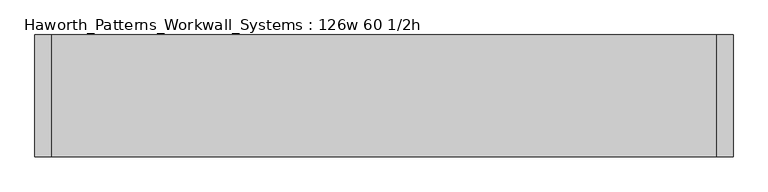
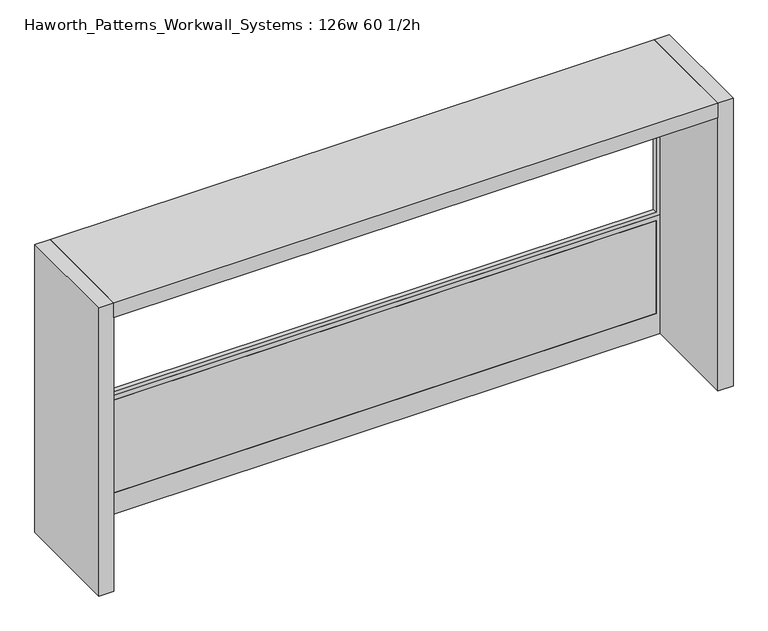
"""IFC4 building model written with IfcOpenShell, lengths in millimetres: furniture geometry, Haworth_Patterns_Workwall_Systems : 126w 60 1/2h."""

from ifc_helpers import new_model, si_unit, frame, origin, origin_with_axes, place, context, project, spatial, polyline, outline, extrude, source, transform, mapped, element, save


def haworth_patterns_workwall_systems_126w_60_1_2h_0ec29452(model_context):
    return source(origin(), model_context, "Body", "SweptSolid", [
        extrude(outline(polyline([(1460.5, 914.4), (1460.5, -2133.6), (635.0, -2133.6), (635.0, 914.4), (1460.5, 914.4)]), holes=[polyline([(1441.45, 895.35), (654.05, 895.35), (654.05, -2114.55), (1441.45, -2114.55), (1441.45, 895.35)])]), frame((0.0, 330.2, 0.0), z_axis=(0.0, 1.0, 0.0), x_axis=(0.0, 0.0, 1.0)), (0.0, 0.0, 1.0), 25.4),
        extrude(outline(polyline([(895.35, 330.2), (-2114.55, 330.2), (-2114.55, 355.6), (895.35, 355.6), (895.35, 330.2)])), frame((0.0, 0.0, 114.3), z_axis=(0.0, 0.0, 1.0), x_axis=(1.0, 0.0, 0.0)), (0.0, 0.0, 1.0), 495.3),
        extrude(outline(polyline([(635.0, 914.4), (635.0, -2133.6), (0.0, -2133.6), (0.0, 914.4), (635.0, 914.4)]), holes=[polyline([(609.6, 895.35), (114.3, 895.35), (114.3, -2114.55), (609.6, -2114.55), (609.6, 895.35)])]), frame((0.0, 330.2, 0.0), z_axis=(0.0, 1.0, 0.0), x_axis=(0.0, 0.0, 1.0)), (0.0, 0.0, 1.0), 25.4),
        extrude(outline(polyline([(914.4, -177.8), (-2133.6, -177.8), (-2133.6, 381.0), (914.4, 381.0), (914.4, -177.8)])), frame((0.0, 0.0, 1460.5), z_axis=(0.0, 0.0, 1.0), x_axis=(1.0, 0.0, 0.0)), (0.0, 0.0, 1.0), 76.2),
        extrude(outline(polyline([(990.6, 381.0), (990.6, -177.8), (914.4, -177.8), (914.4, 381.0), (990.6, 381.0)])), origin_with_axes(), (0.0, 0.0, 1.0), 1536.7),
        extrude(outline(polyline([(-2133.6, 381.0), (-2133.6, -177.8), (-2209.8, -177.8), (-2209.8, 381.0), (-2133.6, 381.0)])), origin_with_axes(), (0.0, 0.0, 1.0), 1536.7),
    ])


if __name__ == "__main__":
    model = new_model("IFC4")
    model_context = context("Model", 3, world=origin())
    ifc_project = project(units=[si_unit("LENGTHUNIT", "METRE", prefix="MILLI")], contexts=[model_context])
    site = spatial("IfcSite", under=ifc_project)
    building = spatial("IfcBuilding", under=site)
    placement = place(None, origin())
    haworth_patterns_workwall_systems_126w_60_1_2h_shape = haworth_patterns_workwall_systems_126w_60_1_2h_0ec29452(model_context)
    element("IfcFurniture", 1, ObjectType="Haworth_Patterns_Workwall_Systems : 126w 60 1/2h", at=placement, inside=building, context=model_context, shape_type="MappedRepresentation", body=[
        mapped(haworth_patterns_workwall_systems_126w_60_1_2h_shape, transform((0.0, 0.0, 0.0), x_axis=(1.0, 0.0, 0.0), y_axis=(0.0, 1.0, 0.0), z_axis=(0.0, 0.0, 1.0))),
    ])
    save(model, "model.ifc")
